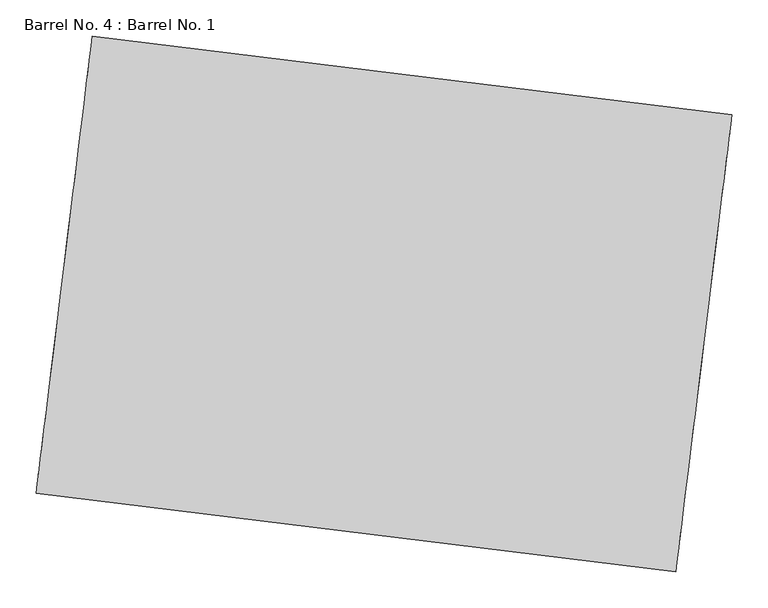
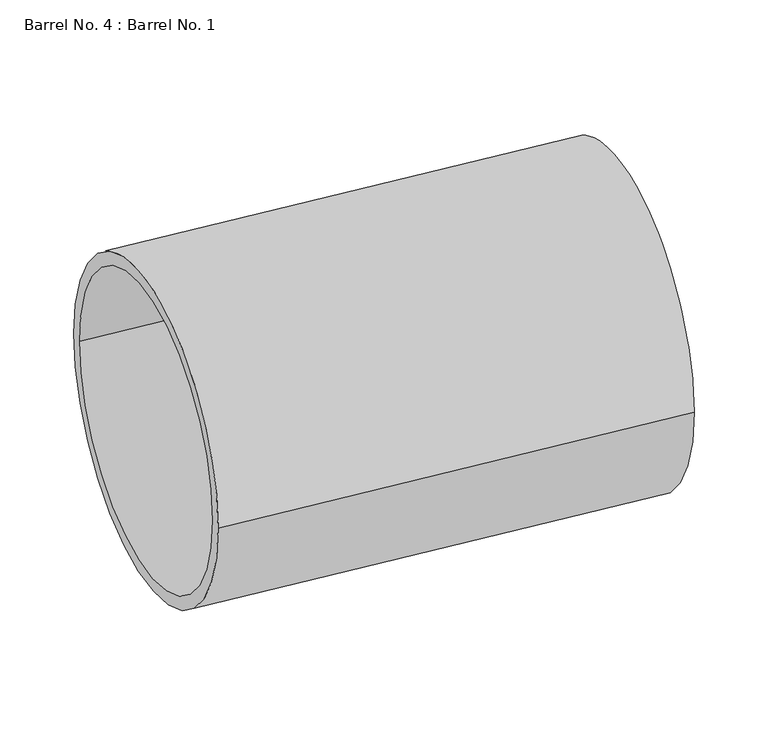
"""IFC4 building model written with IfcOpenShell, lengths in millimetres: proxy geometry, Barrel No. 4 : Barrel No. 1."""

import ifcopenshell
import ifcopenshell.guid

model = None  # the IFC model being written
_history = None  # IfcOwnerHistory: only IFC2X3 demands one
_inside = {}  # id of a spatial element -> (the spatial element, [elements in it])
_under = {}  # id of a project, library or spatial element -> (it, [spatial elements below it])
_declared = {}  # id of a project -> (the project, [libraries it declares])
_typed = {}  # id of a type object -> (the type object, [elements of that type])
_made_of = {}  # id of a material, layer set ... -> (it, [elements and type objects made of it])


def new_model(schema):
    """Start an empty IFC model of exactly this schema.

    Asked for "IFC4X3", IfcOpenShell would pick the latest addendum, in which some entities
    have other attributes; the version numbers below select the first issue.
    IFC2X3 requires an IfcOwnerHistory on every rooted entity: one is made here for all.
    """
    global model, _history
    if schema == "IFC4X3":
        model = ifcopenshell.file(schema_version=(4, 3, 0, 0))
    else:
        model = ifcopenshell.file(schema=schema)
    _inside.clear()
    _under.clear()
    _declared.clear()
    _typed.clear()
    _made_of.clear()
    _history = None
    if model.schema == "IFC2X3":
        org = make("IfcOrganization", Name="unknown")
        user = make(
            "IfcPersonAndOrganization",
            ThePerson=make("IfcPerson", FamilyName="unknown"),
            TheOrganization=org,
        )
        app = make(
            "IfcApplication",
            ApplicationDeveloper=org,
            Version="unknown",
            ApplicationFullName="unknown",
            ApplicationIdentifier="unknown",
        )
        _history = make(
            "IfcOwnerHistory",
            OwningUser=user,
            OwningApplication=app,
            ChangeAction="ADDED",
            CreationDate=0,
        )
    return model


def make(cls, **values):
    """One entity of the class cls with the attributes given. An attribute that is None is left unset."""
    return model.create_entity(
        cls, **{name: value for name, value in values.items() if value is not None}
    )


def rooted(cls, **values):
    """An entity with a GlobalId (a new one), such as an element, a storey or a relation."""
    return make(cls, GlobalId=ifcopenshell.guid.new(), OwnerHistory=_history, **values)


def si_unit(unit_type, name, prefix=None):
    """IfcSIUnit, for example si_unit("LENGTHUNIT", "METRE", prefix="MILLI")."""
    return make("IfcSIUnit", UnitType=unit_type, Prefix=prefix, Name=name)


def assignment(units):
    """IfcUnitAssignment: the units of a project."""
    return None if units is None else make("IfcUnitAssignment", Units=units)


def point(xyz):
    """IfcCartesianPoint."""
    return None if xyz is None else make("IfcCartesianPoint", Coordinates=xyz)


def direction(xyz):
    """IfcDirection."""
    return None if xyz is None else make("IfcDirection", DirectionRatios=xyz)


def frame(location, z_axis=None, x_axis=None):
    """IfcAxis2Placement3D, a coordinate frame: its origin and axes. An axis left out is left unset."""
    return make(
        "IfcAxis2Placement3D",
        Location=point(location),
        Axis=direction(z_axis),
        RefDirection=direction(x_axis),
    )


def frame_2d(location, x_axis=None):
    """IfcAxis2Placement2D, a coordinate frame in the plane: its origin and x axis."""
    return make(
        "IfcAxis2Placement2D", Location=point(location), RefDirection=direction(x_axis)
    )


def origin():
    """The frame at (0, 0, 0) with its axes left unset."""
    return frame((0.0, 0.0, 0.0))


def place(relative_to, where):
    """IfcLocalPlacement: puts the frame where relative to a parent placement (None: the world)."""
    return make(
        "IfcLocalPlacement", PlacementRelTo=relative_to, RelativePlacement=where
    )


def context(
    kind, dimensions, precision=None, world=None, true_north=None, identifier=None
):
    """IfcGeometricRepresentationContext, for example the 3D "Model" context."""
    return make(
        "IfcGeometricRepresentationContext",
        ContextIdentifier=identifier,
        ContextType=kind,
        CoordinateSpaceDimension=dimensions,
        Precision=precision,
        WorldCoordinateSystem=world,
        TrueNorth=true_north,
    )


def project(units=None, contexts=None):
    """IfcProject with its units and contexts."""
    return rooted(
        "IfcProject",
        Name="project",
        RepresentationContexts=contexts,
        UnitsInContext=assignment(units),
    )


def spatial(cls, under=None, at=None, **own):
    """A site, building, storey or space (cls), placed at a placement, below another one or the project."""
    s = rooted(cls, ObjectPlacement=at, **own)
    if under is not None:
        _under.setdefault(under.id(), (under, []))[1].append(s)
    return s


def circle_curve(where, radius):
    """IfcCircle in the frame where."""
    return make("IfcCircle", Position=where, Radius=radius)


def trimmed(basis, trim1, trim2, sense, master):
    """IfcTrimmedCurve: the piece of a basis curve between two trims."""
    return make(
        "IfcTrimmedCurve",
        BasisCurve=basis,
        Trim1=trim1,
        Trim2=trim2,
        SenseAgreement=sense,
        MasterRepresentation=master,
    )


def segment(curve, same_sense, transition):
    """IfcCompositeCurveSegment."""
    return make(
        "IfcCompositeCurveSegment",
        Transition=transition,
        SameSense=same_sense,
        ParentCurve=curve,
    )


def composite_curve(segments, self_intersect=None):
    """IfcCompositeCurve: segments joined end to end."""
    return make("IfcCompositeCurve", Segments=segments, SelfIntersect=self_intersect)


def outline(outer, holes=None, kind="AREA"):
    """IfcArbitraryClosedProfileDef: a profile drawn as a closed curve; with holes, ...WithVoids."""
    if holes is None:
        return make("IfcArbitraryClosedProfileDef", ProfileType=kind, OuterCurve=outer)
    return make(
        "IfcArbitraryProfileDefWithVoids",
        ProfileType=kind,
        OuterCurve=outer,
        InnerCurves=holes,
    )


def extrude(swept, where, along, depth):
    """IfcExtrudedAreaSolid: the profile swept, set in the frame where, extruded along a direction by depth."""
    return make(
        "IfcExtrudedAreaSolid",
        SweptArea=swept,
        Position=where,
        ExtrudedDirection=direction(along),
        Depth=depth,
    )


def shape(context_of_items, identifier, shape_type, items):
    """IfcShapeRepresentation: the items that make up one representation, for example the "Body"."""
    return make(
        "IfcShapeRepresentation",
        ContextOfItems=context_of_items,
        RepresentationIdentifier=identifier,
        RepresentationType=shape_type,
        Items=items,
    )


def source(mapping_origin, context_of_items, identifier, shape_type, items):
    """IfcRepresentationMap: a shape defined once, which mapped items show again and again."""
    return make(
        "IfcRepresentationMap",
        MappingOrigin=mapping_origin,
        MappedRepresentation=shape(context_of_items, identifier, shape_type, items),
    )


def transform(
    local_origin,
    x_axis=None,
    y_axis=None,
    z_axis=None,
    scale=None,
    scale2=None,
    scale3=None,
    uniform=True,
):
    """IfcCartesianTransformationOperator3D, or its non-uniform kind. x_axis, y_axis, z_axis: its Axis1, 2, 3."""
    if uniform:
        return make(
            "IfcCartesianTransformationOperator3D",
            Axis1=direction(x_axis),
            Axis2=direction(y_axis),
            LocalOrigin=point(local_origin),
            Scale=scale,
            Axis3=direction(z_axis),
        )
    return make(
        "IfcCartesianTransformationOperator3DnonUniform",
        Axis1=direction(x_axis),
        Axis2=direction(y_axis),
        LocalOrigin=point(local_origin),
        Scale=scale,
        Axis3=direction(z_axis),
        Scale2=scale2,
        Scale3=scale3,
    )


def mapped(mapping_source, mapping_target):
    """IfcMappedItem: shows the shape of a source again, moved by a transform."""
    return make(
        "IfcMappedItem", MappingSource=mapping_source, MappingTarget=mapping_target
    )


def made_of(thing, what):
    """Note that an element or type object is made of a material, layer set ...; save() writes the relation."""
    if what is not None:
        _made_of.setdefault(what.id(), (what, []))[1].append(thing)
    return thing


def element(
    cls,
    number,
    at=None,
    inside=None,
    cuts=None,
    type_object=None,
    material=None,
    context=None,
    identifier="Body",
    shape_type=None,
    held_by="IfcProductDefinitionShape",
    body=None,
    shapes=None,
    **own,
):
    """One element of the class cls, such as IfcWall. Its Tag is "e" and its number.

    at: its placement. inside: the storey or other place that contains it. cuts: it is an
    opening in that element (IfcRelVoidsElement). A single representation is given by context,
    identifier, shape_type and body (its items); several are given by shapes. held_by: the class
    of the entity that holds the representations. save() writes the other relations.
    """
    e = rooted(cls, Tag="e%d" % number, ObjectPlacement=at, **own)
    if body is not None:
        shapes = [shape(context, identifier, shape_type, body)]
    if shapes is not None:
        e.Representation = make(held_by, Representations=shapes)
    if inside is not None:
        _inside.setdefault(inside.id(), (inside, []))[1].append(e)
    if cuts is not None:
        rooted(
            "IfcRelVoidsElement", RelatingBuildingElement=cuts, RelatedOpeningElement=e
        )
    if type_object is not None:
        _typed.setdefault(type_object.id(), (type_object, []))[1].append(e)
    return made_of(e, material)


def aggregate(whole, parts):
    """IfcRelAggregates: a whole, such as a stair, and the parts it consists of."""
    return rooted("IfcRelAggregates", RelatingObject=whole, RelatedObjects=parts)


def save(model, path):
    """Write the relations noted so far, then the file.

    IfcRelAggregates (storeys below a building ...), IfcRelContainedInSpatialStructure (elements
    in a storey), IfcRelDefinesByType, IfcRelAssociatesMaterial and IfcRelDeclares: one each for
    every whole, place, type object, material and project.
    """
    for whole, parts in _under.values():
        aggregate(whole, parts)
    for where, things in _inside.values():
        rooted(
            "IfcRelContainedInSpatialStructure",
            RelatedElements=things,
            RelatingStructure=where,
        )
    for kind, things in _typed.values():
        rooted("IfcRelDefinesByType", RelatedObjects=things, RelatingType=kind)
    for what, things in _made_of.values():
        rooted("IfcRelAssociatesMaterial", RelatedObjects=things, RelatingMaterial=what)
    for by, libraries in _declared.values():
        rooted("IfcRelDeclares", RelatingContext=by, RelatedDefinitions=libraries)
    model.write(path)


def barrel_no_4_barrel_no_1_8c030077(model_context):
    return source(origin(), model_context, "Body", "SweptSolid", [
        extrude(outline(composite_curve([segment(trimmed(circle_curve(frame_2d((0.0, -317.5000001)), 317.5), [point((0.0, -635.0))], [point((0.0, 0.0))], False, "CARTESIAN"), True, "CONTINUOUS"), segment(trimmed(circle_curve(frame_2d((0.0, -317.5000001)), 317.5), [point((0.0, 0.0))], [point((0.0, -635.0))], False, "CARTESIAN"), True, "CONTINUOUS")], self_intersect=False), holes=[composite_curve([segment(trimmed(circle_curve(frame_2d((0.0, -317.5000001)), 292.1), [point((0.0, -609.6000001))], [point((0.0, -25.4000001))], True, "CARTESIAN"), True, "CONTINUOUS"), segment(trimmed(circle_curve(frame_2d((0.0, -317.5000001)), 292.1), [point((0.0, -25.4000001))], [point((0.0, -609.6000001))], True, "CARTESIAN"), True, "CONTINUOUS")], self_intersect=False)]), frame((135571.7248238, 33735.0293459, 317.5), z_axis=(-0.9925461516413208, 0.12186934340515863, 0.0), x_axis=(0.0, 0.0, 1.0)), (0.0, 0.0, 1.0), 889.0),
    ])


if __name__ == "__main__":
    model = new_model("IFC4")
    model_context = context("Model", 3, world=origin())
    ifc_project = project(units=[si_unit("LENGTHUNIT", "METRE", prefix="MILLI")], contexts=[model_context])
    site = spatial("IfcSite", under=ifc_project)
    building = spatial("IfcBuilding", under=site)
    placement = place(None, origin())
    barrel_no_4_barrel_no_1_shape = barrel_no_4_barrel_no_1_8c030077(model_context)
    element("IfcBuildingElementProxy", 1, Name="Barrel No. 4 : Barrel No. 1", ObjectType="Barrel No. 4 : Barrel No. 1", at=placement, inside=building, context=model_context, shape_type="MappedRepresentation", body=[
        mapped(barrel_no_4_barrel_no_1_shape, transform((0.0, 0.0, 0.0), x_axis=(1.0, 0.0, 0.0), y_axis=(0.0, 1.0, 0.0), z_axis=(0.0, 0.0, 1.0))),
    ])
    save(model, "model.ifc")
